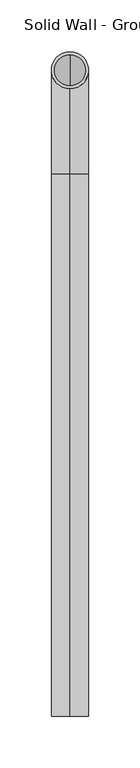
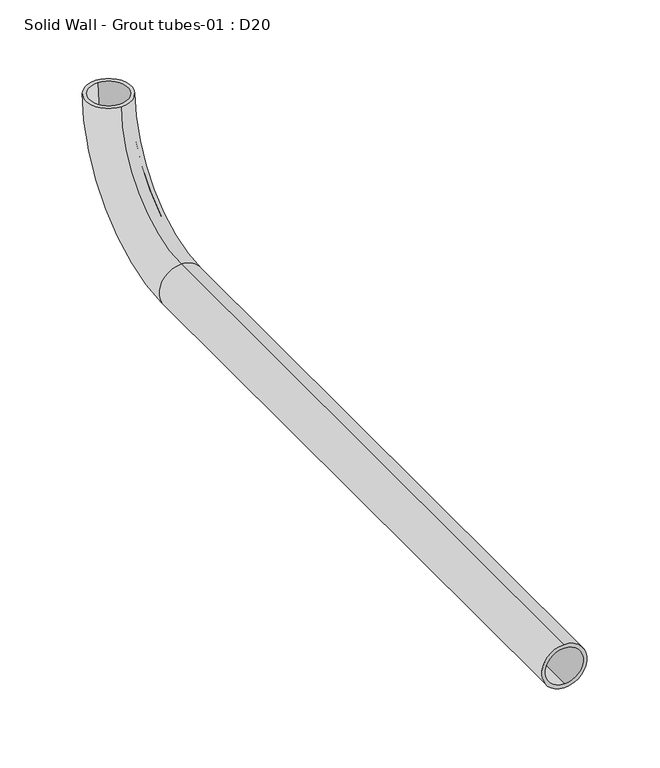
"""IFC4 building model written with IfcOpenShell, lengths in millimetres: proxy geometry, Solid Wall - Grout tubes-01 : D20."""

from ifc_helpers import new_model, si_unit, point, frame, origin, place, context, project, spatial, polyline, circle_curve, ellipse_curve, trimmed, source, transform, mapped, element, save
from ifc_brep_helpers import plane_surface, cylinder_surface, revolved_surface, advanced_brep


def solid_wall_grout_tubes_01_d20_1a703b1e(model_context):
    return source(origin(), model_context, "Body", "AdvancedBrep", [
        advanced_brep(
        [(0.0, 643.0, 0.0), (0.0, 607.0, 0.0), (0.0, 640.0, 0.0), (0.0, 610.0, 0.0), (0.0, 525.0, -82.0), (18.0, 525.0, -100.0), (0.0, 525.0, -118.0), (-18.0, 525.0, -100.0), (0.0, 525.0, -85.0), (0.0, 525.0, -115.0), (0.0, 0.0, -118.0), (0.0, 0.0, -82.0), (0.0, 0.0, -115.0), (0.0, 0.0, -85.0)],
        [
            (0, 1, circle_curve(frame((0.0, 625.0, 0.0), z_axis=(0.0, 0.0, 1.0), x_axis=(0.0, -1.0, 0.0)), 18.0)),
            (1, 0, circle_curve(frame((0.0, 625.0, 0.0), z_axis=(0.0, 0.0, 1.0), x_axis=(0.0, -1.0, 0.0)), 18.0)),
            (2, 3, circle_curve(frame((0.0, 625.0, 0.0), z_axis=(0.0, 0.0, -1.0), x_axis=(0.0, -1.0, 0.0)), 15.0)),
            (3, 2, circle_curve(frame((0.0, 625.0, 0.0), z_axis=(0.0, 0.0, -1.0), x_axis=(0.0, -1.0, 0.0)), 15.0)),
            (1, 4, circle_curve(frame((0.0, 525.0, 0.0), z_axis=(-1.0, 0.0, 0.0), x_axis=(0.0, 0.0, -1.0)), 82.0)),
            (4, 5, circle_curve(frame((0.0, 525.0, -100.0), z_axis=(0.0, 1.0, 0.0), x_axis=(0.0, 0.0, 1.0)), 18.0)),
            (5, 6, circle_curve(frame((0.0, 525.0, -100.0), z_axis=(0.0, 1.0, 0.0), x_axis=(0.0, 0.0, 1.0)), 18.0)),
            (6, 0, circle_curve(frame((0.0, 525.0, 0.0), z_axis=(1.0, 0.0, 0.0), x_axis=(0.0, 0.0, -1.0)), 118.0)),
            (6, 7, circle_curve(frame((0.0, 525.0, -100.0), z_axis=(0.0, 1.0, 0.0), x_axis=(0.0, 0.0, 1.0)), 18.0)),
            (7, 4, circle_curve(frame((0.0, 525.0, -100.0), z_axis=(0.0, 1.0, 0.0), x_axis=(0.0, 0.0, 1.0)), 18.0)),
            (3, 8, circle_curve(frame((0.0, 525.0, 0.0), z_axis=(-1.0, 0.0, 0.0), x_axis=(0.0, 0.0, -1.0)), 85.0)),
            (8, 9, circle_curve(frame((0.0, 525.0, -100.0), z_axis=(0.0, -1.0, 0.0), x_axis=(0.0, 0.0, 1.0)), 15.0)),
            (9, 2, circle_curve(frame((0.0, 525.0, 0.0), z_axis=(1.0, 0.0, 0.0), x_axis=(0.0, 0.0, -1.0)), 115.0)),
            (9, 8, circle_curve(frame((0.0, 525.0, -100.0), z_axis=(0.0, -1.0, 0.0), x_axis=(0.0, 0.0, 1.0)), 15.0)),
            (10, 11, circle_curve(frame((0.0, 0.0, -100.0), z_axis=(0.0, -1.0, 0.0), x_axis=(0.0, 0.0, 1.0)), 18.0)),
            (11, 10, circle_curve(frame((0.0, 0.0, -100.0), z_axis=(0.0, -1.0, 0.0), x_axis=(0.0, 0.0, 1.0)), 18.0)),
            (12, 13, circle_curve(frame((0.0, 0.0, -100.0), z_axis=(0.0, 1.0, 0.0), x_axis=(0.0, 0.0, 1.0)), 15.0)),
            (13, 12, circle_curve(frame((0.0, 0.0, -100.0), z_axis=(0.0, 1.0, 0.0), x_axis=(0.0, 0.0, 1.0)), 15.0)),
            (10, 6),
            (4, 11),
            (12, 9),
            (8, 13),
        ],
        [
            plane_surface(frame((0.0, 625.0, 0.0), z_axis=(0.0, 0.0, 1.0), x_axis=(1.0, 0.0, 0.0))),
            revolved_surface(trimmed(ellipse_curve(frame((0.0, 525.0, -100.0), z_axis=(0.0, -1.0, 0.0), x_axis=(0.0, 0.0, 1.0)), 18.0, 18.0), [point((0.0, 525.0, -118.0))], [point((0.0, 525.0, -82.0))], True, "CARTESIAN"), (0.0, 525.0, 0.0), (1.0, 0.0, 0.0)),
            revolved_surface(trimmed(ellipse_curve(frame((0.0, 525.0, -100.0), z_axis=(0.0, -1.0, 0.0), x_axis=(0.0, 0.0, 1.0)), 18.0, 18.0), [point((0.0, 525.0, -82.0))], [point((0.0, 525.0, -118.0))], True, "CARTESIAN"), (0.0, 525.0, 0.0), (1.0, 0.0, 0.0)),
            revolved_surface(trimmed(ellipse_curve(frame((0.0, 525.0, -100.0), z_axis=(0.0, 1.0, 0.0), x_axis=(0.0, 0.0, 1.0)), 15.0, 15.0), [point((0.0, 525.0, -115.0))], [point((0.0, 525.0, -85.0))], True, "CARTESIAN"), (0.0, 525.0, 0.0), (1.0, 0.0, 0.0)),
            revolved_surface(trimmed(ellipse_curve(frame((0.0, 525.0, -100.0), z_axis=(0.0, 1.0, 0.0), x_axis=(0.0, 0.0, 1.0)), 15.0, 15.0), [point((0.0, 525.0, -85.0))], [point((0.0, 525.0, -115.0))], True, "CARTESIAN"), (0.0, 525.0, 0.0), (1.0, 0.0, 0.0)),
            plane_surface(frame((0.0, 0.0, -82.0), z_axis=(0.0, -1.0, 0.0), x_axis=(-1.0, 0.0, 0.0))),
            cylinder_surface(frame((0.0, 525.0, -100.0), z_axis=(0.0, -1.0, 0.0), x_axis=(0.0, 0.0, 1.0)), 18.0),
            revolved_surface(polyline([(0.0, 525.0, -85.0), (0.0, 0.0, -85.0)]), (0.0, -145.0, -100.0), (0.0, 1.0, 0.0)),
        ],
        [
            (0, [[1, 2], [3, 4]]),
            (1, [[-2, 5, 6, 7, 8]]),
            (2, [[-1, -8, 9, 10, -5]]),
            (3, [[-4, 11, 12, 13]]),
            (4, [[-3, -13, 14, -11]]),
            (5, [[15, 16], [17, 18]]),
            (6, [[-15, 19, -7, -6, 20]]),
            (6, [[-16, -20, -10, -9, -19]]),
            (7, [[-17, 21, -12, 22]]),
            (7, [[-18, -22, -14, -21]]),
        ],
    ),
    ])


if __name__ == "__main__":
    model = new_model("IFC4")
    model_context = context("Model", 3, world=origin())
    ifc_project = project(units=[si_unit("LENGTHUNIT", "METRE", prefix="MILLI")], contexts=[model_context])
    site = spatial("IfcSite", under=ifc_project)
    building = spatial("IfcBuilding", under=site)
    placement = place(None, origin())
    solid_wall_grout_tubes_01_d20_shape = solid_wall_grout_tubes_01_d20_1a703b1e(model_context)
    element("IfcBuildingElementProxy", 1, Name="Solid Wall - Grout tubes-01 : D20", ObjectType="Solid Wall - Grout tubes-01 : D20", at=placement, inside=building, context=model_context, shape_type="MappedRepresentation", body=[
        mapped(solid_wall_grout_tubes_01_d20_shape, transform((0.0, 0.0, 0.0), x_axis=(1.0, 0.0, 0.0), y_axis=(0.0, 1.0, 0.0), z_axis=(0.0, 0.0, 1.0))),
    ])
    save(model, "model.ifc")
